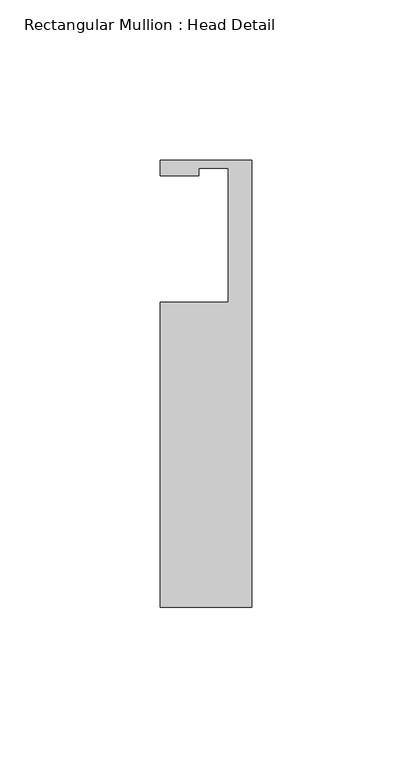
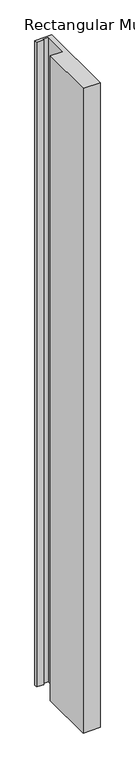
"""IFC4 building model written with IfcOpenShell, lengths in millimetres: member geometry, Rectangular Mullion : Head Detail."""

from ifc_helpers import new_model, si_unit, frame, origin, place, context, project, spatial, polyline, outline, extrude, source, transform, mapped, element, save


def rectangular_mullion_head_detail_36dbf7e8(model_context):
    return source(origin(), model_context, "Body", "SweptSolid", [
        extrude(outline(polyline([(-28.575, -19.05), (-7.3152, -19.05), (-7.3152, 22.86), (-16.4846, 22.86), (-16.4846, 20.5232), (-28.575, 20.5232), (-28.575, 25.4), (0.0, 25.4), (0.0, -114.3), (-28.575, -114.3), (-28.575, -19.05)])), frame((0.0, 0.0, -1143.0), z_axis=(0.0, 0.0, 1.0), x_axis=(1.0, 0.0, 0.0)), (0.0, 0.0, 1.0), 1143.0),
    ])


if __name__ == "__main__":
    model = new_model("IFC4")
    model_context = context("Model", 3, world=origin())
    ifc_project = project(units=[si_unit("LENGTHUNIT", "METRE", prefix="MILLI")], contexts=[model_context])
    site = spatial("IfcSite", under=ifc_project)
    building = spatial("IfcBuilding", under=site)
    placement = place(None, origin())
    rectangular_mullion_head_detail_shape = rectangular_mullion_head_detail_36dbf7e8(model_context)
    element("IfcMember", 1, ObjectType="Rectangular Mullion : Head Detail", at=placement, inside=building, context=model_context, shape_type="MappedRepresentation", body=[
        mapped(rectangular_mullion_head_detail_shape, transform((0.0, 0.0, 0.0), x_axis=(1.0, 0.0, 0.0), y_axis=(0.0, 1.0, 0.0), z_axis=(0.0, 0.0, 1.0))),
    ])
    save(model, "model.ifc")
